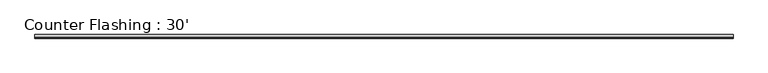
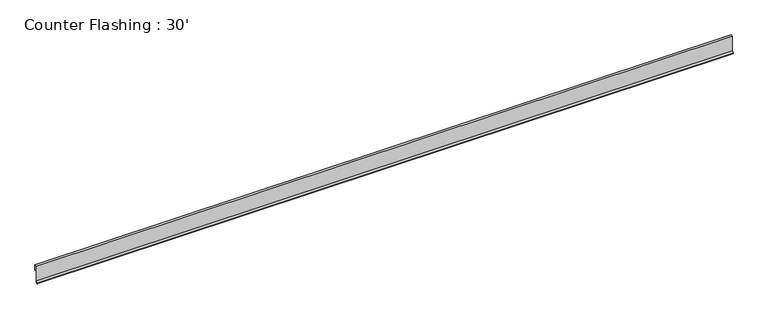
"""IFC4 building model written with IfcOpenShell, lengths in millimetres: proxy geometry, Counter Flashing : 30'."""

import ifcopenshell
import ifcopenshell.guid

model = None  # the IFC model being written
_history = None  # IfcOwnerHistory: only IFC2X3 demands one
_inside = {}  # id of a spatial element -> (the spatial element, [elements in it])
_under = {}  # id of a project, library or spatial element -> (it, [spatial elements below it])
_declared = {}  # id of a project -> (the project, [libraries it declares])
_typed = {}  # id of a type object -> (the type object, [elements of that type])
_made_of = {}  # id of a material, layer set ... -> (it, [elements and type objects made of it])


def new_model(schema):
    """Start an empty IFC model of exactly this schema.

    Asked for "IFC4X3", IfcOpenShell would pick the latest addendum, in which some entities
    have other attributes; the version numbers below select the first issue.
    IFC2X3 requires an IfcOwnerHistory on every rooted entity: one is made here for all.
    """
    global model, _history
    if schema == "IFC4X3":
        model = ifcopenshell.file(schema_version=(4, 3, 0, 0))
    else:
        model = ifcopenshell.file(schema=schema)
    _inside.clear()
    _under.clear()
    _declared.clear()
    _typed.clear()
    _made_of.clear()
    _history = None
    if model.schema == "IFC2X3":
        org = make("IfcOrganization", Name="unknown")
        user = make(
            "IfcPersonAndOrganization",
            ThePerson=make("IfcPerson", FamilyName="unknown"),
            TheOrganization=org,
        )
        app = make(
            "IfcApplication",
            ApplicationDeveloper=org,
            Version="unknown",
            ApplicationFullName="unknown",
            ApplicationIdentifier="unknown",
        )
        _history = make(
            "IfcOwnerHistory",
            OwningUser=user,
            OwningApplication=app,
            ChangeAction="ADDED",
            CreationDate=0,
        )
    return model


def make(cls, **values):
    """One entity of the class cls with the attributes given. An attribute that is None is left unset."""
    return model.create_entity(
        cls, **{name: value for name, value in values.items() if value is not None}
    )


def rooted(cls, **values):
    """An entity with a GlobalId (a new one), such as an element, a storey or a relation."""
    return make(cls, GlobalId=ifcopenshell.guid.new(), OwnerHistory=_history, **values)


def si_unit(unit_type, name, prefix=None):
    """IfcSIUnit, for example si_unit("LENGTHUNIT", "METRE", prefix="MILLI")."""
    return make("IfcSIUnit", UnitType=unit_type, Prefix=prefix, Name=name)


def assignment(units):
    """IfcUnitAssignment: the units of a project."""
    return None if units is None else make("IfcUnitAssignment", Units=units)


def point(xyz):
    """IfcCartesianPoint."""
    return None if xyz is None else make("IfcCartesianPoint", Coordinates=xyz)


def direction(xyz):
    """IfcDirection."""
    return None if xyz is None else make("IfcDirection", DirectionRatios=xyz)


def frame(location, z_axis=None, x_axis=None):
    """IfcAxis2Placement3D, a coordinate frame: its origin and axes. An axis left out is left unset."""
    return make(
        "IfcAxis2Placement3D",
        Location=point(location),
        Axis=direction(z_axis),
        RefDirection=direction(x_axis),
    )


def frame_2d(location, x_axis=None):
    """IfcAxis2Placement2D, a coordinate frame in the plane: its origin and x axis."""
    return make(
        "IfcAxis2Placement2D", Location=point(location), RefDirection=direction(x_axis)
    )


def origin():
    """The frame at (0, 0, 0) with its axes left unset."""
    return frame((0.0, 0.0, 0.0))


def place(relative_to, where):
    """IfcLocalPlacement: puts the frame where relative to a parent placement (None: the world)."""
    return make(
        "IfcLocalPlacement", PlacementRelTo=relative_to, RelativePlacement=where
    )


def context(
    kind, dimensions, precision=None, world=None, true_north=None, identifier=None
):
    """IfcGeometricRepresentationContext, for example the 3D "Model" context."""
    return make(
        "IfcGeometricRepresentationContext",
        ContextIdentifier=identifier,
        ContextType=kind,
        CoordinateSpaceDimension=dimensions,
        Precision=precision,
        WorldCoordinateSystem=world,
        TrueNorth=true_north,
    )


def project(units=None, contexts=None):
    """IfcProject with its units and contexts."""
    return rooted(
        "IfcProject",
        Name="project",
        RepresentationContexts=contexts,
        UnitsInContext=assignment(units),
    )


def spatial(cls, under=None, at=None, **own):
    """A site, building, storey or space (cls), placed at a placement, below another one or the project."""
    s = rooted(cls, ObjectPlacement=at, **own)
    if under is not None:
        _under.setdefault(under.id(), (under, []))[1].append(s)
    return s


def polyline(points):
    """IfcPolyline through the points."""
    return make("IfcPolyline", Points=[point(p) for p in points])


def circle_curve(where, radius):
    """IfcCircle in the frame where."""
    return make("IfcCircle", Position=where, Radius=radius)


def trimmed(basis, trim1, trim2, sense, master):
    """IfcTrimmedCurve: the piece of a basis curve between two trims."""
    return make(
        "IfcTrimmedCurve",
        BasisCurve=basis,
        Trim1=trim1,
        Trim2=trim2,
        SenseAgreement=sense,
        MasterRepresentation=master,
    )


def segment(curve, same_sense, transition):
    """IfcCompositeCurveSegment."""
    return make(
        "IfcCompositeCurveSegment",
        Transition=transition,
        SameSense=same_sense,
        ParentCurve=curve,
    )


def composite_curve(segments, self_intersect=None):
    """IfcCompositeCurve: segments joined end to end."""
    return make("IfcCompositeCurve", Segments=segments, SelfIntersect=self_intersect)


def outline(outer, holes=None, kind="AREA"):
    """IfcArbitraryClosedProfileDef: a profile drawn as a closed curve; with holes, ...WithVoids."""
    if holes is None:
        return make("IfcArbitraryClosedProfileDef", ProfileType=kind, OuterCurve=outer)
    return make(
        "IfcArbitraryProfileDefWithVoids",
        ProfileType=kind,
        OuterCurve=outer,
        InnerCurves=holes,
    )


def extrude(swept, where, along, depth):
    """IfcExtrudedAreaSolid: the profile swept, set in the frame where, extruded along a direction by depth."""
    return make(
        "IfcExtrudedAreaSolid",
        SweptArea=swept,
        Position=where,
        ExtrudedDirection=direction(along),
        Depth=depth,
    )


def shape(context_of_items, identifier, shape_type, items):
    """IfcShapeRepresentation: the items that make up one representation, for example the "Body"."""
    return make(
        "IfcShapeRepresentation",
        ContextOfItems=context_of_items,
        RepresentationIdentifier=identifier,
        RepresentationType=shape_type,
        Items=items,
    )


def source(mapping_origin, context_of_items, identifier, shape_type, items):
    """IfcRepresentationMap: a shape defined once, which mapped items show again and again."""
    return make(
        "IfcRepresentationMap",
        MappingOrigin=mapping_origin,
        MappedRepresentation=shape(context_of_items, identifier, shape_type, items),
    )


def transform(
    local_origin,
    x_axis=None,
    y_axis=None,
    z_axis=None,
    scale=None,
    scale2=None,
    scale3=None,
    uniform=True,
):
    """IfcCartesianTransformationOperator3D, or its non-uniform kind. x_axis, y_axis, z_axis: its Axis1, 2, 3."""
    if uniform:
        return make(
            "IfcCartesianTransformationOperator3D",
            Axis1=direction(x_axis),
            Axis2=direction(y_axis),
            LocalOrigin=point(local_origin),
            Scale=scale,
            Axis3=direction(z_axis),
        )
    return make(
        "IfcCartesianTransformationOperator3DnonUniform",
        Axis1=direction(x_axis),
        Axis2=direction(y_axis),
        LocalOrigin=point(local_origin),
        Scale=scale,
        Axis3=direction(z_axis),
        Scale2=scale2,
        Scale3=scale3,
    )


def mapped(mapping_source, mapping_target):
    """IfcMappedItem: shows the shape of a source again, moved by a transform."""
    return make(
        "IfcMappedItem", MappingSource=mapping_source, MappingTarget=mapping_target
    )


def made_of(thing, what):
    """Note that an element or type object is made of a material, layer set ...; save() writes the relation."""
    if what is not None:
        _made_of.setdefault(what.id(), (what, []))[1].append(thing)
    return thing


def element(
    cls,
    number,
    at=None,
    inside=None,
    cuts=None,
    type_object=None,
    material=None,
    context=None,
    identifier="Body",
    shape_type=None,
    held_by="IfcProductDefinitionShape",
    body=None,
    shapes=None,
    **own,
):
    """One element of the class cls, such as IfcWall. Its Tag is "e" and its number.

    at: its placement. inside: the storey or other place that contains it. cuts: it is an
    opening in that element (IfcRelVoidsElement). A single representation is given by context,
    identifier, shape_type and body (its items); several are given by shapes. held_by: the class
    of the entity that holds the representations. save() writes the other relations.
    """
    e = rooted(cls, Tag="e%d" % number, ObjectPlacement=at, **own)
    if body is not None:
        shapes = [shape(context, identifier, shape_type, body)]
    if shapes is not None:
        e.Representation = make(held_by, Representations=shapes)
    if inside is not None:
        _inside.setdefault(inside.id(), (inside, []))[1].append(e)
    if cuts is not None:
        rooted(
            "IfcRelVoidsElement", RelatingBuildingElement=cuts, RelatedOpeningElement=e
        )
    if type_object is not None:
        _typed.setdefault(type_object.id(), (type_object, []))[1].append(e)
    return made_of(e, material)


def aggregate(whole, parts):
    """IfcRelAggregates: a whole, such as a stair, and the parts it consists of."""
    return rooted("IfcRelAggregates", RelatingObject=whole, RelatedObjects=parts)


def save(model, path):
    """Write the relations noted so far, then the file.

    IfcRelAggregates (storeys below a building ...), IfcRelContainedInSpatialStructure (elements
    in a storey), IfcRelDefinesByType, IfcRelAssociatesMaterial and IfcRelDeclares: one each for
    every whole, place, type object, material and project.
    """
    for whole, parts in _under.values():
        aggregate(whole, parts)
    for where, things in _inside.values():
        rooted(
            "IfcRelContainedInSpatialStructure",
            RelatedElements=things,
            RelatingStructure=where,
        )
    for kind, things in _typed.values():
        rooted("IfcRelDefinesByType", RelatedObjects=things, RelatingType=kind)
    for what, things in _made_of.values():
        rooted("IfcRelAssociatesMaterial", RelatedObjects=things, RelatingMaterial=what)
    for by, libraries in _declared.values():
        rooted("IfcRelDeclares", RelatingContext=by, RelatedDefinitions=libraries)
    model.write(path)


def counter_flashing_30_1d1b349f(model_context):
    return source(origin(), model_context, "Body", "SweptSolid", [
        extrude(outline(composite_curve([segment(polyline([(23.6331658, 115.6150489), (23.6331658, 44.1775489), (22.0456658, 44.1775489), (22.0456658, 114.0275489), (-5.7355842, 114.0275489), (-5.7355842, -88.05519), (-21.9128216, -112.9659511)]), True, "CONTINUOUS"), segment(trimmed(circle_curve(frame_2d((-21.3209065, -113.3503452)), 0.7057778), [point((-21.9128216, -112.9659511))], [point((-20.8578746, -113.8830025))], True, "CARTESIAN"), True, "CONTINUOUS"), segment(polyline([(-20.8578746, -113.8830025), (-11.6690766, -105.8953022), (-10.5438035, -107.0205753), (-19.8163809, -115.0811039)]), True, "CONTINUOUS"), segment(trimmed(circle_curve(frame_2d((-21.3209065, -113.3503452)), 2.2932778), [point((-19.8163809, -115.0811039))], [point((-23.2442111, -112.1013366))], False, "CARTESIAN"), True, "CONTINUOUS"), segment(polyline([(-23.2442111, -112.1013366), (-7.3230842, -87.5849511), (-7.3230842, 115.6150489), (23.6331658, 115.6150489)]), True, "CONTINUOUS")], self_intersect=False)), frame((-26487.4344089, 0.0, 0.0), z_axis=(1.0, 0.0, 0.0), x_axis=(0.0, 1.0, 0.0)), (0.0, 0.0, 1.0), 9144.0),
    ])


if __name__ == "__main__":
    model = new_model("IFC4")
    model_context = context("Model", 3, world=origin())
    ifc_project = project(units=[si_unit("LENGTHUNIT", "METRE", prefix="MILLI")], contexts=[model_context])
    site = spatial("IfcSite", under=ifc_project)
    building = spatial("IfcBuilding", under=site)
    placement = place(None, origin())
    counter_flashing_30_shape = counter_flashing_30_1d1b349f(model_context)
    element("IfcBuildingElementProxy", 1, Name="Counter Flashing : 30'", ObjectType="Counter Flashing : 30'", at=placement, inside=building, context=model_context, shape_type="MappedRepresentation", body=[
        mapped(counter_flashing_30_shape, transform((0.0, 0.0, 0.0), x_axis=(1.0, 0.0, 0.0), y_axis=(0.0, 1.0, 0.0), z_axis=(0.0, 0.0, 1.0))),
    ])
    save(model, "model.ifc")
